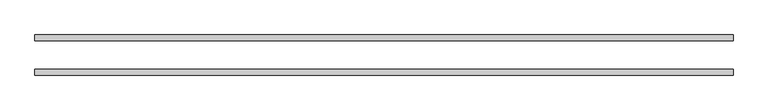
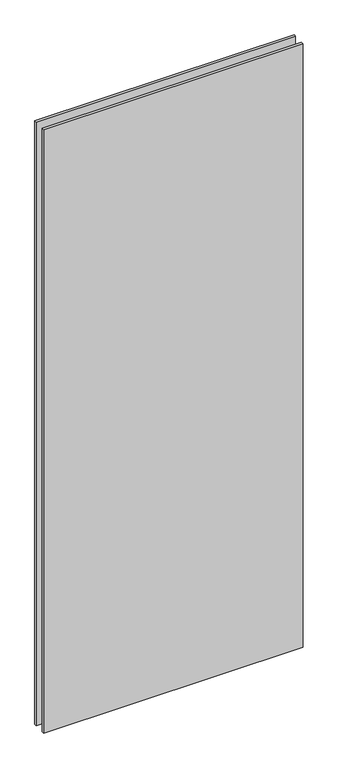
"""IFC4 building model written with IfcOpenShell, lengths in millimetres: plate geometry."""

import ifcopenshell
import ifcopenshell.guid

model = None  # the IFC model being written
_history = None  # IfcOwnerHistory: only IFC2X3 demands one
_inside = {}  # id of a spatial element -> (the spatial element, [elements in it])
_under = {}  # id of a project, library or spatial element -> (it, [spatial elements below it])
_declared = {}  # id of a project -> (the project, [libraries it declares])
_typed = {}  # id of a type object -> (the type object, [elements of that type])
_made_of = {}  # id of a material, layer set ... -> (it, [elements and type objects made of it])


def new_model(schema):
    """Start an empty IFC model of exactly this schema.

    Asked for "IFC4X3", IfcOpenShell would pick the latest addendum, in which some entities
    have other attributes; the version numbers below select the first issue.
    IFC2X3 requires an IfcOwnerHistory on every rooted entity: one is made here for all.
    """
    global model, _history
    if schema == "IFC4X3":
        model = ifcopenshell.file(schema_version=(4, 3, 0, 0))
    else:
        model = ifcopenshell.file(schema=schema)
    _inside.clear()
    _under.clear()
    _declared.clear()
    _typed.clear()
    _made_of.clear()
    _history = None
    if model.schema == "IFC2X3":
        org = make("IfcOrganization", Name="unknown")
        user = make(
            "IfcPersonAndOrganization",
            ThePerson=make("IfcPerson", FamilyName="unknown"),
            TheOrganization=org,
        )
        app = make(
            "IfcApplication",
            ApplicationDeveloper=org,
            Version="unknown",
            ApplicationFullName="unknown",
            ApplicationIdentifier="unknown",
        )
        _history = make(
            "IfcOwnerHistory",
            OwningUser=user,
            OwningApplication=app,
            ChangeAction="ADDED",
            CreationDate=0,
        )
    return model


def make(cls, **values):
    """One entity of the class cls with the attributes given. An attribute that is None is left unset."""
    return model.create_entity(
        cls, **{name: value for name, value in values.items() if value is not None}
    )


def rooted(cls, **values):
    """An entity with a GlobalId (a new one), such as an element, a storey or a relation."""
    return make(cls, GlobalId=ifcopenshell.guid.new(), OwnerHistory=_history, **values)


def si_unit(unit_type, name, prefix=None):
    """IfcSIUnit, for example si_unit("LENGTHUNIT", "METRE", prefix="MILLI")."""
    return make("IfcSIUnit", UnitType=unit_type, Prefix=prefix, Name=name)


def assignment(units):
    """IfcUnitAssignment: the units of a project."""
    return None if units is None else make("IfcUnitAssignment", Units=units)


def point(xyz):
    """IfcCartesianPoint."""
    return None if xyz is None else make("IfcCartesianPoint", Coordinates=xyz)


def direction(xyz):
    """IfcDirection."""
    return None if xyz is None else make("IfcDirection", DirectionRatios=xyz)


def frame(location, z_axis=None, x_axis=None):
    """IfcAxis2Placement3D, a coordinate frame: its origin and axes. An axis left out is left unset."""
    return make(
        "IfcAxis2Placement3D",
        Location=point(location),
        Axis=direction(z_axis),
        RefDirection=direction(x_axis),
    )


def origin():
    """The frame at (0, 0, 0) with its axes left unset."""
    return frame((0.0, 0.0, 0.0))


def origin_with_axes():
    """The frame at (0, 0, 0) with the z axis (0, 0, 1) and the x axis (1, 0, 0) written out."""
    return frame((0.0, 0.0, 0.0), z_axis=(0.0, 0.0, 1.0), x_axis=(1.0, 0.0, 0.0))


def place(relative_to, where):
    """IfcLocalPlacement: puts the frame where relative to a parent placement (None: the world)."""
    return make(
        "IfcLocalPlacement", PlacementRelTo=relative_to, RelativePlacement=where
    )


def context(
    kind, dimensions, precision=None, world=None, true_north=None, identifier=None
):
    """IfcGeometricRepresentationContext, for example the 3D "Model" context."""
    return make(
        "IfcGeometricRepresentationContext",
        ContextIdentifier=identifier,
        ContextType=kind,
        CoordinateSpaceDimension=dimensions,
        Precision=precision,
        WorldCoordinateSystem=world,
        TrueNorth=true_north,
    )


def project(units=None, contexts=None):
    """IfcProject with its units and contexts."""
    return rooted(
        "IfcProject",
        Name="project",
        RepresentationContexts=contexts,
        UnitsInContext=assignment(units),
    )


def spatial(cls, under=None, at=None, **own):
    """A site, building, storey or space (cls), placed at a placement, below another one or the project."""
    s = rooted(cls, ObjectPlacement=at, **own)
    if under is not None:
        _under.setdefault(under.id(), (under, []))[1].append(s)
    return s


def polyline(points):
    """IfcPolyline through the points."""
    return make("IfcPolyline", Points=[point(p) for p in points])


def outline(outer, holes=None, kind="AREA"):
    """IfcArbitraryClosedProfileDef: a profile drawn as a closed curve; with holes, ...WithVoids."""
    if holes is None:
        return make("IfcArbitraryClosedProfileDef", ProfileType=kind, OuterCurve=outer)
    return make(
        "IfcArbitraryProfileDefWithVoids",
        ProfileType=kind,
        OuterCurve=outer,
        InnerCurves=holes,
    )


def extrude(swept, where, along, depth):
    """IfcExtrudedAreaSolid: the profile swept, set in the frame where, extruded along a direction by depth."""
    return make(
        "IfcExtrudedAreaSolid",
        SweptArea=swept,
        Position=where,
        ExtrudedDirection=direction(along),
        Depth=depth,
    )


def shape(context_of_items, identifier, shape_type, items):
    """IfcShapeRepresentation: the items that make up one representation, for example the "Body"."""
    return make(
        "IfcShapeRepresentation",
        ContextOfItems=context_of_items,
        RepresentationIdentifier=identifier,
        RepresentationType=shape_type,
        Items=items,
    )


def source(mapping_origin, context_of_items, identifier, shape_type, items):
    """IfcRepresentationMap: a shape defined once, which mapped items show again and again."""
    return make(
        "IfcRepresentationMap",
        MappingOrigin=mapping_origin,
        MappedRepresentation=shape(context_of_items, identifier, shape_type, items),
    )


def transform(
    local_origin,
    x_axis=None,
    y_axis=None,
    z_axis=None,
    scale=None,
    scale2=None,
    scale3=None,
    uniform=True,
):
    """IfcCartesianTransformationOperator3D, or its non-uniform kind. x_axis, y_axis, z_axis: its Axis1, 2, 3."""
    if uniform:
        return make(
            "IfcCartesianTransformationOperator3D",
            Axis1=direction(x_axis),
            Axis2=direction(y_axis),
            LocalOrigin=point(local_origin),
            Scale=scale,
            Axis3=direction(z_axis),
        )
    return make(
        "IfcCartesianTransformationOperator3DnonUniform",
        Axis1=direction(x_axis),
        Axis2=direction(y_axis),
        LocalOrigin=point(local_origin),
        Scale=scale,
        Axis3=direction(z_axis),
        Scale2=scale2,
        Scale3=scale3,
    )


def mapped(mapping_source, mapping_target):
    """IfcMappedItem: shows the shape of a source again, moved by a transform."""
    return make(
        "IfcMappedItem", MappingSource=mapping_source, MappingTarget=mapping_target
    )


def made_of(thing, what):
    """Note that an element or type object is made of a material, layer set ...; save() writes the relation."""
    if what is not None:
        _made_of.setdefault(what.id(), (what, []))[1].append(thing)
    return thing


def element(
    cls,
    number,
    at=None,
    inside=None,
    cuts=None,
    type_object=None,
    material=None,
    context=None,
    identifier="Body",
    shape_type=None,
    held_by="IfcProductDefinitionShape",
    body=None,
    shapes=None,
    **own,
):
    """One element of the class cls, such as IfcWall. Its Tag is "e" and its number.

    at: its placement. inside: the storey or other place that contains it. cuts: it is an
    opening in that element (IfcRelVoidsElement). A single representation is given by context,
    identifier, shape_type and body (its items); several are given by shapes. held_by: the class
    of the entity that holds the representations. save() writes the other relations.
    """
    e = rooted(cls, Tag="e%d" % number, ObjectPlacement=at, **own)
    if body is not None:
        shapes = [shape(context, identifier, shape_type, body)]
    if shapes is not None:
        e.Representation = make(held_by, Representations=shapes)
    if inside is not None:
        _inside.setdefault(inside.id(), (inside, []))[1].append(e)
    if cuts is not None:
        rooted(
            "IfcRelVoidsElement", RelatingBuildingElement=cuts, RelatedOpeningElement=e
        )
    if type_object is not None:
        _typed.setdefault(type_object.id(), (type_object, []))[1].append(e)
    return made_of(e, material)


def aggregate(whole, parts):
    """IfcRelAggregates: a whole, such as a stair, and the parts it consists of."""
    return rooted("IfcRelAggregates", RelatingObject=whole, RelatedObjects=parts)


def save(model, path):
    """Write the relations noted so far, then the file.

    IfcRelAggregates (storeys below a building ...), IfcRelContainedInSpatialStructure (elements
    in a storey), IfcRelDefinesByType, IfcRelAssociatesMaterial and IfcRelDeclares: one each for
    every whole, place, type object, material and project.
    """
    for whole, parts in _under.values():
        aggregate(whole, parts)
    for where, things in _inside.values():
        rooted(
            "IfcRelContainedInSpatialStructure",
            RelatedElements=things,
            RelatingStructure=where,
        )
    for kind, things in _typed.values():
        rooted("IfcRelDefinesByType", RelatedObjects=things, RelatingType=kind)
    for what, things in _made_of.values():
        rooted("IfcRelAssociatesMaterial", RelatedObjects=things, RelatingMaterial=what)
    for by, libraries in _declared.values():
        rooted("IfcRelDeclares", RelatingContext=by, RelatedDefinitions=libraries)
    model.write(path)


def plate_7e292c24(model_context):
    return source(origin(), model_context, "Body", "SweptSolid", [
        extrude(outline(polyline([(738.4160698, 42.8355237), (738.4160698, 30.1355237), (-738.4160698, 30.1355237), (-738.4160698, 42.8355237), (738.4160698, 42.8355237)])), origin_with_axes(), (0.0, 0.0, 1.0), 3629.3723151),
        extrude(outline(polyline([(738.4160698, -42.8111299), (-738.4160698, -42.8111299), (-738.4160698, -30.1111299), (738.4160698, -30.1111299), (738.4160698, -42.8111299)])), origin_with_axes(), (0.0, 0.0, 1.0), 3629.3723151),
    ])


if __name__ == "__main__":
    model = new_model("IFC4")
    model_context = context("Model", 3, world=origin())
    ifc_project = project(units=[si_unit("LENGTHUNIT", "METRE", prefix="MILLI")], contexts=[model_context])
    site = spatial("IfcSite", under=ifc_project)
    building = spatial("IfcBuilding", under=site)
    placement = place(None, origin())
    plate_shape = plate_7e292c24(model_context)
    element("IfcPlate", 1, at=placement, inside=building, context=model_context, shape_type="MappedRepresentation", body=[
        mapped(plate_shape, transform((0.0, 0.0, 0.0), x_axis=(1.0, 0.0, 0.0), y_axis=(0.0, 1.0, 0.0), z_axis=(0.0, 0.0, 1.0))),
    ])
    save(model, "model.ifc")
